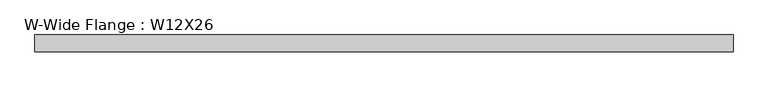
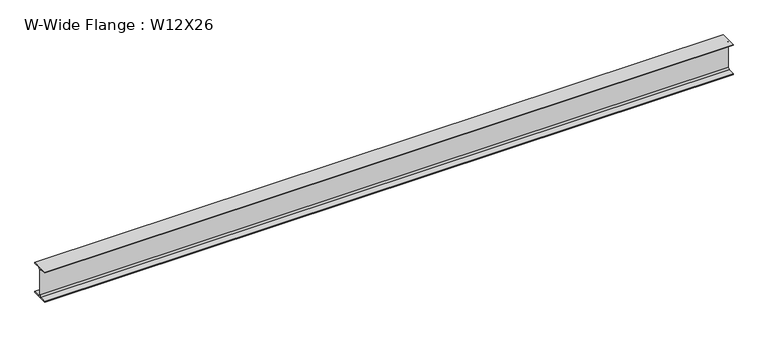
"""IFC4 building model written with IfcOpenShell, lengths in millimetres: beam geometry, W-Wide Flange : W12X26."""

from ifc_helpers import new_model, si_unit, point, frame, frame_2d, origin, place, context, project, spatial, polyline, circle_curve, trimmed, segment, composite_curve, outline, extrude, source, transform, mapped, element, save


def w_wide_flange_w12x26_fa069000(model_context):
    return source(origin(), model_context, "Body", "SweptSolid", [
        extrude(outline(composite_curve([segment(polyline([(82.4011719, -145.5539063), (82.4011719, -155.178125), (-82.4011719, -155.178125), (-82.4011719, -145.5539063), (-20.2902344, -145.5539063)]), True, "CONTINUOUS"), segment(trimmed(circle_curve(frame_2d((-20.2902344, -128.190625)), 17.3632812), [point((-20.2902344, -145.5539063))], [point((-2.9269531, -128.190625))], True, "CARTESIAN"), True, "CONTINUOUS"), segment(polyline([(-2.9269531, -128.190625), (-2.9269531, 128.190625)]), True, "CONTINUOUS"), segment(trimmed(circle_curve(frame_2d((-20.2902344, 128.190625)), 17.3632812), [point((-2.9269531, 128.190625))], [point((-20.2902344, 145.5539062))], True, "CARTESIAN"), True, "CONTINUOUS"), segment(polyline([(-20.2902344, 145.5539062), (-82.4011719, 145.5539062), (-82.4011719, 155.178125), (82.4011719, 155.178125), (82.4011719, 145.5539062), (20.2902344, 145.5539062)]), True, "CONTINUOUS"), segment(trimmed(circle_curve(frame_2d((20.2902344, 128.190625)), 17.3632812), [point((20.2902344, 145.5539062))], [point((2.9269531, 128.190625))], True, "CARTESIAN"), True, "CONTINUOUS"), segment(polyline([(2.9269531, 128.190625), (2.9269531, -128.190625)]), True, "CONTINUOUS"), segment(trimmed(circle_curve(frame_2d((20.2902344, -128.190625)), 17.3632812), [point((2.9269531, -128.190625))], [point((20.2902344, -145.5539063))], True, "CARTESIAN"), True, "CONTINUOUS"), segment(polyline([(20.2902344, -145.5539063), (82.4011719, -145.5539063)]), True, "CONTINUOUS")], self_intersect=False)), frame((-3372.1802, 0.0, 0.0), z_axis=(1.0, 0.0, 0.0), x_axis=(0.0, 1.0, 0.0)), (0.0, 0.0, 1.0), 6744.3604),
    ])


if __name__ == "__main__":
    model = new_model("IFC4")
    model_context = context("Model", 3, world=origin())
    ifc_project = project(units=[si_unit("LENGTHUNIT", "METRE", prefix="MILLI")], contexts=[model_context])
    site = spatial("IfcSite", under=ifc_project)
    building = spatial("IfcBuilding", under=site)
    placement = place(None, origin())
    w_wide_flange_w12x26_shape = w_wide_flange_w12x26_fa069000(model_context)
    element("IfcBeam", 1, ObjectType="W-Wide Flange : W12X26", at=placement, inside=building, context=model_context, shape_type="MappedRepresentation", body=[
        mapped(w_wide_flange_w12x26_shape, transform((0.0, 0.0, 0.0), x_axis=(1.0, 0.0, 0.0), y_axis=(0.0, 1.0, 0.0), z_axis=(0.0, 0.0, 1.0))),
    ])
    save(model, "model.ifc")
